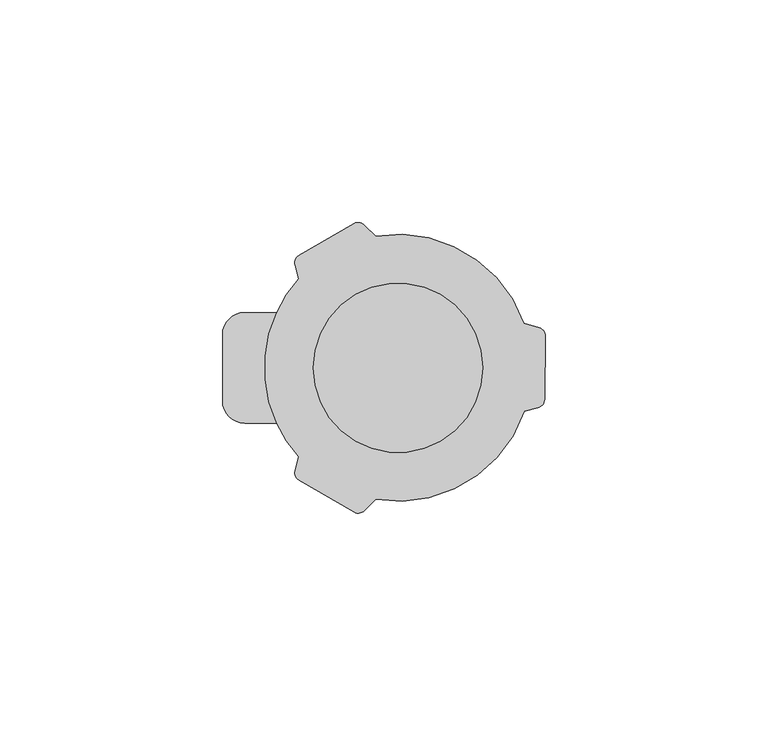
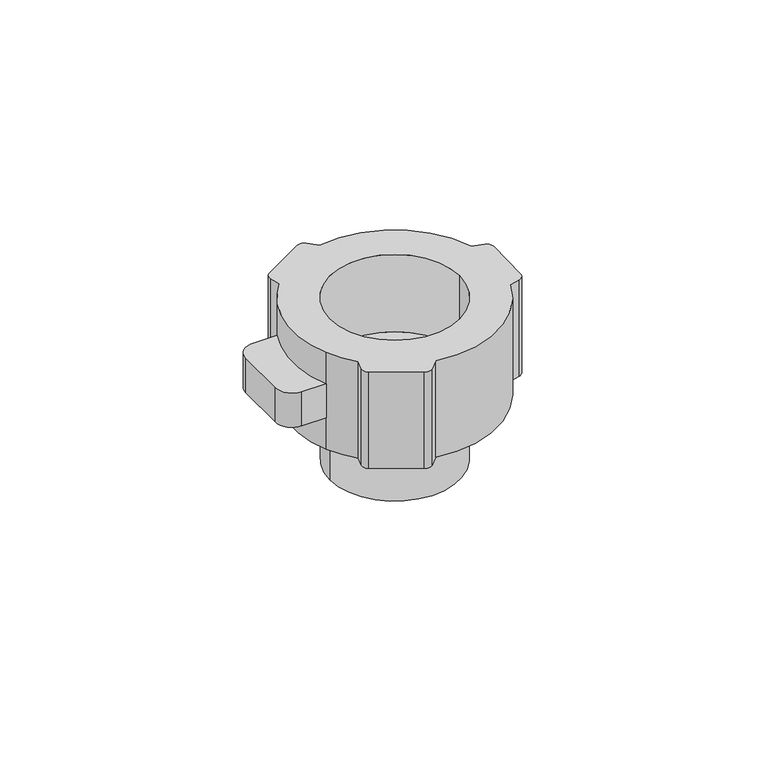
"""IFC4 building model written with IfcOpenShell, lengths in millimetres: proxy geometry."""

from ifc_helpers import new_model, si_unit, point, frame, origin, origin_with_axes, origin_2d, place, context, project, spatial, polyline, circle_curve, trimmed, segment, composite_curve, outline, extrude, source, transform, mapped, element, save
from ifc_brep_helpers import plane_surface, cylinder_surface, revolved_surface, advanced_brep


def communication_devices_82cdc5dc(model_context):
    return source(origin(), model_context, "Body", "SolidModel", [
        extrude(outline(composite_curve([segment(trimmed(circle_curve(origin_2d(), 19.05), [point((-19.05, 0.0))], [point((19.05, 0.0))], False, "CARTESIAN"), True, "CONTINUOUS"), segment(trimmed(circle_curve(origin_2d(), 19.05), [point((19.05, 0.0))], [point((-19.05, 0.0))], False, "CARTESIAN"), True, "CONTINUOUS")], self_intersect=False)), frame((0.0, 0.0, -20.0), z_axis=(0.0, 0.0, 1.0), x_axis=(1.0, 0.0, 0.0)), (0.0, 0.0, 1.0), 20.0),
        advanced_brep(
        [(-27.3027069, -12.4323045, 30.0), (-22.3389434, -20.0242755, 30.0), (-23.1520253, -23.0587386, 30.0), (-22.2201737, -25.3084275, 30.0), (-9.9522879, -32.3912946, 30.0), (-7.5380743, -32.0734574, 30.0), (-5.0384849, -29.573868, 30.0), (28.3682667, -9.7591724, 30.0), (31.4145468, -8.9915488, 30.0), (32.9256257, -7.0820755, 30.0), (33.137414, 7.0820755, 30.0), (31.6841004, 9.0358737, 30.0), (28.2836581, 10.001734, 30.0), (-5.0384849, 29.573868, 30.0), (-7.5380743, 32.0734574, 30.0), (-9.9522879, 32.3912946, 30.0), (-22.2201737, 25.3084275, 30.0), (-23.1520253, 23.0587386, 30.0), (-22.3389434, 20.0242755, 30.0), (-27.3027069, 12.4323045, 30.0), (19.05, 0.0, 30.0), (-19.05, 0.0, 30.0), (-27.3027069, 12.4323045, 0.0), (-22.3389434, 20.0242755, 0.0), (-23.1520253, 23.0587386, 0.0), (-22.2201737, 25.3084275, 0.0), (-9.9522879, 32.3912946, 0.0), (-7.5380743, 32.0734574, 0.0), (-5.0384849, 29.573868, 0.0), (28.2836581, 10.001734, 0.0), (31.6841004, 9.0358737, 0.0), (33.137414, 7.0820755, 0.0), (32.9256257, -7.0820755, 0.0), (31.4145468, -8.9915488, 0.0), (28.3682667, -9.7591724, 0.0), (-5.0384849, -29.573868, 0.0), (-7.5380743, -32.0734574, 0.0), (-9.9522879, -32.3912946, 0.0), (-22.2201737, -25.3084275, 0.0), (-23.1520253, -23.0587386, 0.0), (-22.3389434, -20.0242755, 0.0), (-27.3027069, -12.4323045, 0.0), (-27.3027069, -12.4323045, 20.3173955), (-34.4447255, -12.4323045, 20.3173955), (-34.4447255, -12.4323045, 9.6826045), (-27.3027069, -12.4323045, 9.6826045), (-39.4447255, -7.4323045, 20.3173955), (-39.4447255, -7.4323045, 9.6826045), (-39.4447255, 7.4323045, 20.3173955), (-39.4447255, 7.4323045, 9.6826045), (-34.4447255, 12.4323045, 20.3173955), (-34.4447255, 12.4323045, 9.6826045), (-27.3027069, 12.4323045, 20.3173955), (-27.3027069, 12.4323045, 9.6826045), (-19.05, 0.0, 6.0), (19.05, 0.0, 6.0)],
        [
            (0, 1, circle_curve(frame((0.0, 0.0, 30.0), z_axis=(0.0, 0.0, 1.0), x_axis=(1.0, 0.0, 0.0)), 30.0)),
            (1, 2),
            (2, 3, circle_curve(frame((-21.2201737, -23.5763767, 30.0), z_axis=(0.0, 0.0, 1.0), x_axis=(1.0, 0.0, 0.0)), 2.0)),
            (3, 4),
            (4, 5, circle_curve(frame((-8.9522879, -30.6592438, 30.0), z_axis=(0.0, 0.0, 1.0), x_axis=(1.0, 0.0, 0.0)), 2.0)),
            (5, 6),
            (6, 7, circle_curve(frame((0.0, 0.0, 30.0), z_axis=(0.0, 0.0, 1.0), x_axis=(1.0, 0.0, 0.0)), 30.0)),
            (7, 8),
            (8, 9, circle_curve(frame((30.9258492, -7.052174, 30.0), z_axis=(0.0, 0.0, 1.0), x_axis=(-0.48699638517377974, 0.8734039848934007, 0.0)), 2.0)),
            (9, 10),
            (10, 11, circle_curve(frame((31.1376376, 7.111977, 30.0), z_axis=(0.0, 0.0, 1.0), x_axis=(-0.48699638517377974, 0.8734039848934007, 0.0)), 2.0)),
            (11, 12),
            (12, 13, circle_curve(frame((0.0, 0.0, 30.0), z_axis=(0.0, 0.0, 1.0), x_axis=(1.0, 0.0, 0.0)), 30.0)),
            (13, 14),
            (14, 15, circle_curve(frame((-8.9522879, 30.6592438, 30.0), z_axis=(0.0, 0.0, 1.0), x_axis=(1.0, 0.0, 0.0)), 2.0)),
            (15, 16),
            (16, 17, circle_curve(frame((-21.2201737, 23.5763767, 30.0), z_axis=(0.0, 0.0, 1.0), x_axis=(1.0, 0.0, 0.0)), 2.0)),
            (17, 18),
            (18, 19, circle_curve(frame((0.0, 0.0, 30.0), z_axis=(0.0, 0.0, 1.0), x_axis=(1.0, 0.0, 0.0)), 30.0)),
            (19, 0, circle_curve(frame((0.0, 0.0, 30.0), z_axis=(0.0, 0.0, 1.0), x_axis=(1.0, 0.0, 0.0)), 30.0)),
            (20, 21, circle_curve(frame((0.0, 0.0, 30.0), z_axis=(0.0, 0.0, -1.0), x_axis=(1.0, 0.0, 0.0)), 19.05)),
            (21, 20, circle_curve(frame((0.0, 0.0, 30.0), z_axis=(0.0, 0.0, -1.0), x_axis=(1.0, 0.0, 0.0)), 19.05)),
            (22, 23, circle_curve(frame((0.0, 0.0, 0.0), z_axis=(0.0, 0.0, -1.0), x_axis=(1.0, 0.0, 0.0)), 30.0)),
            (23, 24),
            (24, 25, circle_curve(frame((-21.2201737, 23.5763767, 0.0), z_axis=(0.0, 0.0, -1.0), x_axis=(1.0, 0.0, 0.0)), 2.0)),
            (25, 26),
            (26, 27, circle_curve(frame((-8.9522879, 30.6592438, 0.0), z_axis=(0.0, 0.0, -1.0), x_axis=(1.0, 0.0, 0.0)), 2.0)),
            (27, 28),
            (28, 29, circle_curve(frame((0.0, 0.0, 0.0), z_axis=(0.0, 0.0, -1.0), x_axis=(1.0, 0.0, 0.0)), 30.0)),
            (29, 30),
            (30, 31, circle_curve(frame((31.1376376, 7.111977, 0.0), z_axis=(0.0, 0.0, -1.0), x_axis=(-0.48699638517377974, 0.8734039848934007, 0.0)), 2.0)),
            (31, 32),
            (32, 33, circle_curve(frame((30.9258492, -7.052174, 0.0), z_axis=(0.0, 0.0, -1.0), x_axis=(-0.48699638517377974, 0.8734039848934007, 0.0)), 2.0)),
            (33, 34),
            (34, 35, circle_curve(frame((0.0, 0.0, 0.0), z_axis=(0.0, 0.0, -1.0), x_axis=(1.0, 0.0, 0.0)), 30.0)),
            (35, 36),
            (36, 37, circle_curve(frame((-8.9522879, -30.6592438, 0.0), z_axis=(0.0, 0.0, -1.0), x_axis=(1.0, 0.0, 0.0)), 2.0)),
            (37, 38),
            (38, 39, circle_curve(frame((-21.2201737, -23.5763767, 0.0), z_axis=(0.0, 0.0, -1.0), x_axis=(1.0, 0.0, 0.0)), 2.0)),
            (39, 40),
            (40, 41, circle_curve(frame((0.0, 0.0, 0.0), z_axis=(0.0, 0.0, -1.0), x_axis=(1.0, 0.0, 0.0)), 30.0)),
            (41, 22, circle_curve(frame((0.0, 0.0, 0.0), z_axis=(0.0, 0.0, -1.0), x_axis=(1.0, 0.0, 0.0)), 30.0)),
            (42, 43),
            (43, 44),
            (44, 45),
            (45, 42),
            (43, 46, circle_curve(frame((-34.4447255, -7.4323045, 20.3173955), z_axis=(0.0, 0.0, -1.0), x_axis=(1.0, 0.0, 0.0)), 5.0)),
            (46, 47),
            (47, 44, circle_curve(frame((-34.4447255, -7.4323045, 9.6826045), z_axis=(0.0, 0.0, 1.0), x_axis=(1.0, 0.0, 0.0)), 5.0)),
            (46, 48),
            (48, 49),
            (49, 47),
            (48, 50, circle_curve(frame((-34.4447255, 7.4323045, 20.3173955), z_axis=(0.0, 0.0, -1.0), x_axis=(1.0, 0.0, 0.0)), 5.0)),
            (50, 51),
            (51, 49, circle_curve(frame((-34.4447255, 7.4323045, 9.6826045), z_axis=(0.0, 0.0, 1.0), x_axis=(1.0, 0.0, 0.0)), 5.0)),
            (50, 52),
            (52, 53),
            (53, 51),
            (18, 23),
            (22, 53),
            (52, 19),
            (17, 24),
            (16, 25),
            (15, 26),
            (14, 27),
            (13, 28),
            (12, 29),
            (11, 30),
            (10, 31),
            (9, 32),
            (8, 33),
            (7, 34),
            (6, 35),
            (5, 36),
            (4, 37),
            (3, 38),
            (2, 39),
            (1, 40),
            (0, 42),
            (45, 41),
            (52, 42, circle_curve(frame((0.0, 0.0, 20.3173955), z_axis=(0.0, 0.0, 1.0), x_axis=(1.0, 0.0, 0.0)), 30.0)),
            (45, 53, circle_curve(frame((0.0, 0.0, 9.6826045), z_axis=(0.0, 0.0, -1.0), x_axis=(1.0, 0.0, 0.0)), 30.0)),
            (54, 55, circle_curve(frame((0.0, 0.0, 6.0), z_axis=(0.0, 0.0, 1.0), x_axis=(1.0, 0.0, 0.0)), 19.05)),
            (55, 54, circle_curve(frame((0.0, 0.0, 6.0), z_axis=(0.0, 0.0, 1.0), x_axis=(1.0, 0.0, 0.0)), 19.05)),
            (54, 21),
            (20, 55),
        ],
        [
            plane_surface(frame((30.0, 0.0, 30.0), z_axis=(0.0, 0.0, 1.0), x_axis=(0.0, 1.0, 0.0))),
            plane_surface(frame((30.0, 0.0, 0.0), z_axis=(0.0, 0.0, -1.0), x_axis=(0.0, -1.0, 0.0))),
            plane_surface(frame((-34.4447255, -12.4323045, 30.0), z_axis=(0.0, -1.0, 0.0), x_axis=(0.0, 0.0, -1.0))),
            cylinder_surface(frame((-34.4447255, -7.4323045, 0.0), z_axis=(0.0, 0.0, 1.0), x_axis=(1.0, 0.0, 0.0)), 5.0),
            plane_surface(frame((-39.4447255, 7.4323045, 30.0), z_axis=(-1.0, 0.0, 0.0), x_axis=(0.0, 0.0, -1.0))),
            cylinder_surface(frame((-34.4447255, 7.4323045, 0.0), z_axis=(0.0, 0.0, 1.0), x_axis=(1.0, 0.0, 0.0)), 5.0),
            plane_surface(frame((-27.3027069, 12.4323045, 30.0), z_axis=(0.0, 1.0, 0.0), x_axis=(0.0, 0.0, -1.0))),
            cylinder_surface(origin_with_axes(), 30.0),
            plane_surface(frame((-23.1520253, 23.0587386, 30.0), z_axis=(-0.9659258262890821, -0.25881904510246967, 0.0), x_axis=(0.0, 0.0, -1.0))),
            cylinder_surface(frame((-21.2201737, 23.5763767, 0.0), z_axis=(0.0, 0.0, 1.0), x_axis=(1.0, 0.0, 0.0)), 2.0),
            plane_surface(frame((-9.9522879, 32.3912946, 30.0), z_axis=(-0.4999999999999997, 0.8660254037844388, 0.0), x_axis=(0.0, 0.0, -1.0))),
            cylinder_surface(frame((-8.9522879, 30.6592438, 0.0), z_axis=(0.0, 0.0, 1.0), x_axis=(1.0, 0.0, 0.0)), 2.0),
            plane_surface(frame((-5.0384849, 29.573868, 30.0), z_axis=(0.7071067811865485, 0.7071067811865467, 0.0), x_axis=(0.0, 0.0, -1.0))),
            plane_surface(frame((31.6841004, 9.0358737, 30.0), z_axis=(0.2732314340638042, 0.9619483268031798, 0.0), x_axis=(0.0, 0.0, -1.0))),
            cylinder_surface(frame((31.1376376, 7.111977, 0.0), z_axis=(0.0, 0.0, 1.0), x_axis=(-0.48699638517377974, 0.8734039848934007, 0.0)), 2.0),
            plane_surface(frame((32.9256257, -7.0820755, 30.0), z_axis=(0.9998882312711349, -0.01495075133501547, 0.0), x_axis=(0.0, 0.0, -1.0))),
            cylinder_surface(frame((30.9258492, -7.052174, 0.0), z_axis=(0.0, 0.0, 1.0), x_axis=(-0.48699638517377974, 0.8734039848934007, 0.0)), 2.0),
            plane_surface(frame((28.3682667, -9.7591724, 30.0), z_axis=(0.24434880038992554, -0.9696874051713801, 0.0), x_axis=(0.0, 0.0, -1.0))),
            plane_surface(frame((-7.5380743, -32.0734574, 30.0), z_axis=(0.7071067811865193, -0.7071067811865758, 0.0), x_axis=(0.0, 0.0, -1.0))),
            cylinder_surface(frame((-8.9522879, -30.6592438, 0.0), z_axis=(0.0, 0.0, 1.0), x_axis=(1.0, 0.0, 0.0)), 2.0),
            plane_surface(frame((-22.2201737, -25.3084275, 30.0), z_axis=(-0.4999999999999994, -0.866025403784439, 0.0), x_axis=(0.0, 0.0, -1.0))),
            cylinder_surface(frame((-21.2201737, -23.5763767, 0.0), z_axis=(0.0, 0.0, 1.0), x_axis=(1.0, 0.0, 0.0)), 2.0),
            plane_surface(frame((-22.3389434, -20.0242755, 30.0), z_axis=(-0.9659258262890685, 0.2588190451025201, 0.0), x_axis=(0.0, 0.0, -1.0))),
            cylinder_surface(frame((0.0, 0.0, 20.3173955), z_axis=(0.0, 0.0, -1.0), x_axis=(1.0, 0.0, 0.0)), 30.0),
            cylinder_surface(frame((0.0, 0.0, 0.0), z_axis=(0.0, 0.0, -1.0), x_axis=(1.0, 0.0, 0.0)), 30.0),
            plane_surface(frame((19.05, 0.0, 6.0), z_axis=(0.0, 0.0, 1.0), x_axis=(0.0, -1.0, 0.0))),
            revolved_surface(polyline([(19.05, 0.0, 6.0), (19.05, 0.0, 30.0)]), (0.0, 0.0, 30.0), (0.0, 0.0, -1.0)),
            plane_surface(frame((-27.3027069, 12.4323045, 20.3173955), z_axis=(0.0, 0.0, 1.0), x_axis=(1.0, 0.0, 0.0))),
            plane_surface(frame((-27.3027069, 12.4323045, 9.6826045), z_axis=(0.0, 0.0, -1.0), x_axis=(-1.0, 0.0, 0.0))),
        ],
        [
            (0, [[1, 2, 3, 4, 5, 6, 7, 8, 9, 10, 11, 12, 13, 14, 15, 16, 17, 18, 19, 20], [21, 22]]),
            (1, [[23, 24, 25, 26, 27, 28, 29, 30, 31, 32, 33, 34, 35, 36, 37, 38, 39, 40, 41, 42]]),
            (2, [[43, 44, 45, 46]]),
            (3, [[47, 48, 49, -44]]),
            (4, [[50, 51, 52, -48]]),
            (5, [[53, 54, 55, -51]]),
            (6, [[56, 57, 58, -54]]),
            (7, [[-19, 59, -23, 60, -57, 61]]),
            (8, [[-18, 62, -24, -59]]),
            (9, [[-17, 63, -25, -62]]),
            (10, [[-16, 64, -26, -63]]),
            (11, [[-15, 65, -27, -64]]),
            (12, [[-14, 66, -28, -65]]),
            (7, [[-13, 67, -29, -66]]),
            (13, [[-12, 68, -30, -67]]),
            (14, [[-11, 69, -31, -68]]),
            (15, [[-10, 70, -32, -69]]),
            (16, [[-9, 71, -33, -70]]),
            (17, [[-8, 72, -34, -71]]),
            (7, [[-7, 73, -35, -72]]),
            (18, [[-6, 74, -36, -73]]),
            (19, [[-5, 75, -37, -74]]),
            (20, [[-4, 76, -38, -75]]),
            (21, [[-3, 77, -39, -76]]),
            (22, [[-2, 78, -40, -77]]),
            (7, [[-1, 79, -46, 80, -41, -78]]),
            (23, [[81, -79, -20, -61]]),
            (24, [[82, -60, -42, -80]]),
            (25, [[83, 84]]),
            (26, [[-83, 85, -21, 86]]),
            (26, [[-84, -86, -22, -85]]),
            (27, [[-81, -56, -53, -50, -47, -43]]),
            (28, [[-82, -45, -49, -52, -55, -58]]),
        ],
    ),
    ])


if __name__ == "__main__":
    model = new_model("IFC4")
    model_context = context("Model", 3, world=origin())
    ifc_project = project(units=[si_unit("LENGTHUNIT", "METRE", prefix="MILLI")], contexts=[model_context])
    site = spatial("IfcSite", under=ifc_project)
    building = spatial("IfcBuilding", under=site)
    placement = place(None, origin())
    communication_devices_shape = communication_devices_82cdc5dc(model_context)
    element("IfcBuildingElementProxy", 1, Name="Communication Devices", at=placement, inside=building, context=model_context, shape_type="MappedRepresentation", body=[
        mapped(communication_devices_shape, transform((0.0, 0.0, 0.0), x_axis=(1.0, 0.0, 0.0), y_axis=(0.0, 1.0, 0.0), z_axis=(0.0, 0.0, 1.0))),
    ])
    save(model, "model.ifc")
